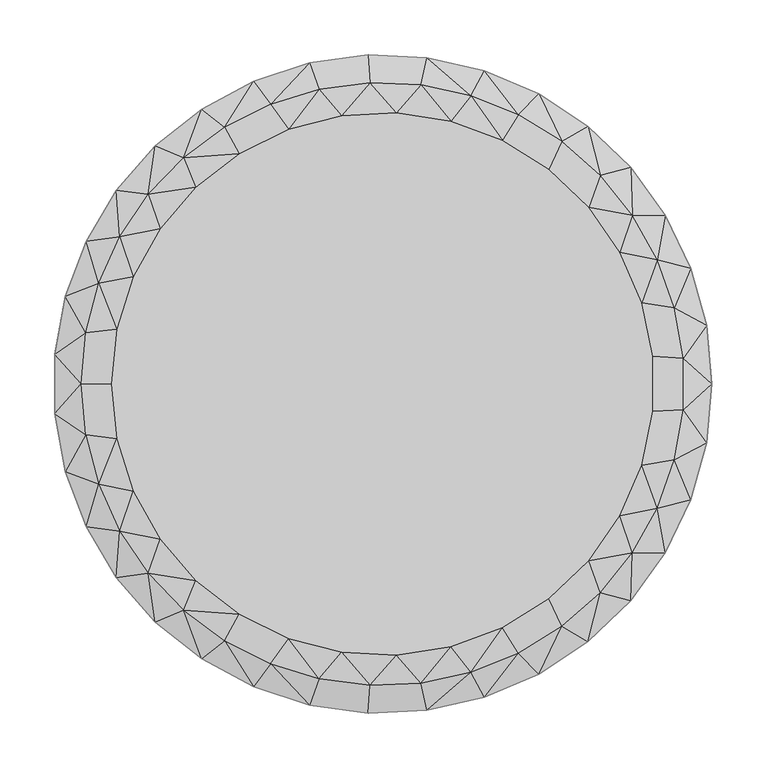
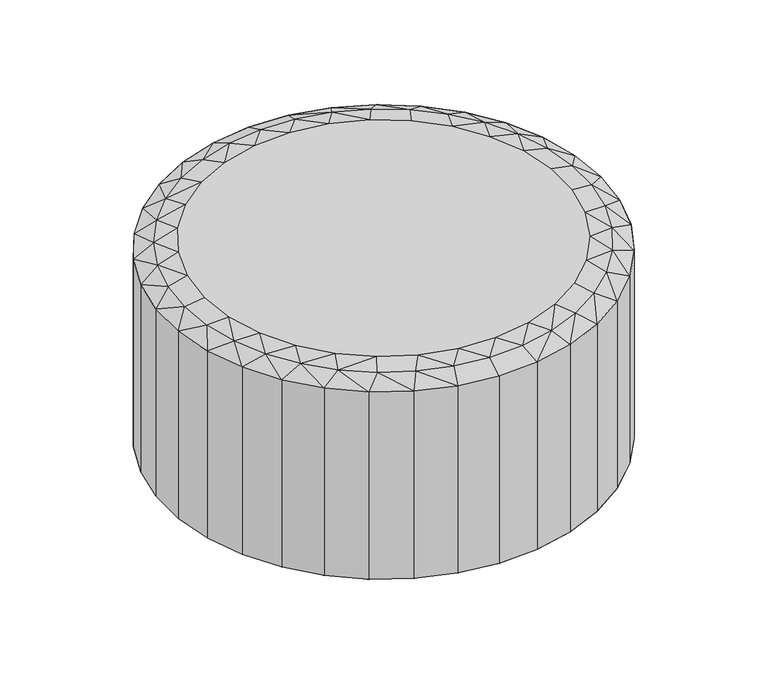
"""IFC4 building model written with IfcOpenShell, lengths in millimetres: furniture geometry."""

from ifc_helpers import new_model, si_unit, origin, place, context, project, spatial, triangles, source, transform, mapped, element, save


def furniture_7c6dbb64(model_context):
    return source(origin(), model_context, "Body", "Tessellation", [
        triangles([(295.1782581, -53.5669656, 288.5336055), (299.9993664, 0.0, 14.9992105), (299.9993664, 0.0, 288.5336055), (295.1782581, 53.5669656, 14.9992105), (295.1782581, 53.5669656, 288.5336055), (280.8698655, 105.412234, 14.9992105), (280.8698655, 105.412234, 288.5336055), (257.5341351, 153.8694779, 14.9992105), (257.5341351, 153.8694779, 288.5336055), (225.9210029, 197.3812115, 14.9992105), (225.9210029, 197.3812115, 288.5336055), (187.0465589, 234.5489828, 14.9992105), (187.0465589, 234.5489828, 288.5336055), (142.160318, 264.1781336, 14.9992105), (142.160318, 264.1781336, 288.5336055), (92.7049155, 285.3163782, 14.9992105), (92.7049155, 285.3163782, 288.5336055), (40.2698984, 297.284325, 14.9992105), (40.2698984, 297.284325, 288.5336055), (-13.4594221, 299.6973318, 14.9992105), (-13.4594221, 299.6973318, 288.5336055), (-66.7561497, 292.477787, 14.9992105), (-66.7561497, 292.477787, 288.5336055), (-117.9072744, 275.8577804, 14.9992105), (-117.9072744, 275.8577804, 288.5336055), (-165.2687639, 250.3714727, 14.9992105), (-165.2687639, 250.3714727, 288.5336055), (-207.3183957, 216.8380181, 14.9992105), (-207.3183957, 216.8380181, 288.5336055), (-242.7046078, 176.3352214, 14.9992105), (-242.7046078, 176.3352214, 288.5336055), (-270.2901333, 130.1648656, 14.9992105), (-270.2901333, 130.1648656, 288.5336055), (-289.1883076, 79.8108897, 14.9992105), (-289.1883076, 79.8108897, 288.5336055), (-298.7917003, 26.8917384, 14.9992105), (-298.7917003, 26.8917384, 288.5336055), (-298.7917003, -26.8917384, 14.9992105), (-298.7917003, -26.8917384, 288.5336055), (-289.1883076, -79.8108897, 14.9992105), (-289.1883076, -79.8108897, 288.5336055), (-270.2901333, -130.1648656, 14.9992105), (-270.2901333, -130.1648656, 288.5336055), (-242.7046078, -176.3352214, 14.9992105), (-242.7046078, -176.3352214, 288.5336055), (-207.3183957, -216.8380181, 14.9992105), (-207.3183957, -216.8380181, 288.5336055), (-165.2687639, -250.3714727, 14.9992105), (-165.2687639, -250.3714727, 288.5336055), (-117.9072744, -275.8577804, 14.9992105), (-117.9072744, -275.8577804, 288.5336055), (-66.7561497, -292.477787, 14.9992105), (-66.7561497, -292.477787, 288.5336055), (-13.4594221, -299.6973318, 14.9992105), (-13.4594221, -299.6973318, 288.5336055), (40.2698984, -297.284325, 14.9992105), (40.2698984, -297.284325, 288.5336055), (92.7049155, -285.3163782, 14.9992105), (92.7049155, -285.3163782, 288.5336055), (142.160318, -264.1781336, 14.9992105), (142.160318, -264.1781336, 288.5336055), (187.0465589, -234.5489828, 14.9992105), (187.0465589, -234.5489828, 288.5336055), (225.9210029, -197.3812115, 14.9992105), (225.9210029, -197.3812115, 288.5336055), (257.5341351, -153.8694779, 14.9992105), (257.5341351, -153.8694779, 288.5336055), (280.8698655, -105.412234, 14.9992105), (280.8698655, -105.412234, 288.5336055), (295.1782581, -53.5669656, 14.9992105), (-242.2585595, 49.7854014, 303.533562), (-270.7559116, 46.4257591, 299.7105032), (-247.321241, 0.0, 303.533562), (-274.7073056, 0.0, 299.7105032), (-270.7559116, -46.4257591, 299.7105032), (-259.0153491, 91.5159347, 299.7105032), (-227.2777878, 97.5325732, 303.533562), (-239.8233883, 133.9733631, 299.7105032), (-202.9922244, 141.2867612, 303.533562), (-213.732103, 172.5766209, 299.7105032), (-170.3961581, 179.2566456, 303.533562), (-181.4921741, 206.2151745, 299.7105032), (-130.8240277, 209.8877519, 303.533562), (-144.0310432, 233.9212777, 299.7105032), (-102.4264061, 254.8979043, 299.7105032), (-57.8751374, 268.5415845, 299.7105032), (-11.6589086, 274.4597916, 299.7105032), (34.8927217, 272.482296, 299.7105032), (12.5266143, 247.0038003, 303.533562), (61.9916921, 239.4260289, 303.533562), (-85.8959652, 231.9260143, 303.533562), (-37.4513046, 244.4692167, 303.533562), (80.4405569, 262.6659984, 299.7105032), (108.9188241, 222.0461304, 303.533562), (123.6742552, 245.293258, 299.7105032), (163.3500765, 220.8638988, 299.7105032), (198.3266117, 190.080676, 299.7105032), (227.5976448, 153.8291642, 299.7105032), (250.3211124, 113.1522866, 299.7105032), (265.8433117, 69.2202162, 299.7105032), (273.7176494, 23.2968088, 299.7105032), (273.7176494, -23.2968088, 299.7105032), (265.8433117, -69.2202162, 299.7105032), (250.3211124, -113.1522866, 299.7105032), (227.5976448, -153.8291642, 299.7105032), (198.3266117, -190.080676, 299.7105032), (163.3500765, -220.8638988, 299.7105032), (123.6742552, -245.293258, 299.7105032), (80.4405569, -262.6659984, 299.7105032), (34.8927217, -272.482296, 299.7105032), (-11.6589086, -274.4597916, 299.7105032), (-57.8751374, -268.5415845, 299.7105032), (-37.4513046, -244.4692167, 303.533562), (-85.8959652, -231.9260143, 303.533562), (151.3868078, 195.575635, 303.533562), (187.6569868, 161.0982518, 303.533562), (216.2444497, 120.0254863, 303.533562), (235.9789101, 74.0388538, 303.533562), (246.0522778, 25.0210745, 303.533562), (246.0522778, -25.0210745, 303.533562), (235.9789101, -74.0388538, 303.533562), (216.2444497, -120.0254863, 303.533562), (187.6569868, -161.0982518, 303.533562), (151.3868078, -195.575635, 303.533562), (108.9188241, -222.0461304, 303.533562), (61.9916921, -239.4260289, 303.533562), (12.5266143, -247.0038003, 303.533562), (-102.4264061, -254.8979043, 299.7105032), (-130.8240277, -209.8877519, 303.533562), (-144.0310432, -233.9212777, 299.7105032), (-181.4921741, -206.2151745, 299.7105032), (-213.732103, -172.5766209, 299.7105032), (-239.8233883, -133.9733631, 299.7105032), (-259.0153491, -91.5159347, 299.7105032), (-170.3961581, -179.2566456, 303.533562), (-202.9922244, -141.2867612, 303.533562), (-227.2777878, -97.5325732, 303.533562), (-242.2585595, -49.7854014, 303.533562), (-247.321241, 0.0, -0.0007464), (-270.7559116, 46.4257591, 3.8223244), (-242.2585595, 49.7854014, -0.0007464), (-274.7073056, 0.0, 3.8223244), (-270.7559116, -46.4257591, 3.8223244), (-259.0153491, 91.5159347, 3.8223244), (-227.2777878, 97.5325732, -0.0007464), (-239.8233883, 133.9733631, 3.8223244), (-202.9922244, 141.2867612, -0.0007464), (-213.732103, 172.5766209, 3.8223244), (-170.3961581, 179.2566456, -0.0007464), (-181.4921741, 206.2151745, 3.8223244), (-130.8240277, 209.8877519, -0.0007464), (-144.0310432, 233.9212777, 3.8223244), (-102.4264061, 254.8979043, 3.8223244), (-57.8751374, 268.5415845, 3.8223244), (-11.6589086, 274.4597916, 3.8223244), (34.8927217, 272.482296, 3.8223244), (12.5266143, 247.0038003, -0.0007464), (61.9916921, 239.4260289, -0.0007464), (-85.8959652, 231.9260143, -0.0007464), (-37.4513046, 244.4692167, -0.0007464), (80.4405569, 262.6659984, 3.8223244), (108.9188241, 222.0461304, -0.0007464), (123.6742552, 245.293258, 3.8223244), (163.3500765, 220.8638988, 3.8223244), (198.3266117, 190.080676, 3.8223244), (227.5976448, 153.8291642, 3.8223244), (250.3211124, 113.1522866, 3.8223244), (265.8433117, 69.2202162, 3.8223244), (273.7176494, 23.2968088, 3.8223244), (273.7176494, -23.2968088, 3.8223244), (265.8433117, -69.2202162, 3.8223244), (250.3211124, -113.1522866, 3.8223244), (227.5976448, -153.8291642, 3.8223244), (198.3266117, -190.080676, 3.8223244), (163.3500765, -220.8638988, 3.8223244), (123.6742552, -245.293258, 3.8223244), (80.4405569, -262.6659984, 3.8223244), (34.8927217, -272.482296, 3.8223244), (-11.6589086, -274.4597916, 3.8223244), (-57.8751374, -268.5415845, 3.8223244), (-37.4513046, -244.4692167, -0.0007464), (-85.8959652, -231.9260143, -0.0007464), (151.3868078, 195.575635, -0.0007464), (187.6569868, 161.0982518, -0.0007464), (216.2444497, 120.0254863, -0.0007464), (235.9789101, 74.0388538, -0.0007464), (246.0522778, 25.0210745, -0.0007464), (246.0522778, -25.0210745, -0.0007464), (235.9789101, -74.0388538, -0.0007464), (216.2444497, -120.0254863, -0.0007464), (187.6569868, -161.0982518, -0.0007464), (151.3868078, -195.575635, -0.0007464), (108.9188241, -222.0461304, -0.0007464), (61.9916921, -239.4260289, -0.0007464), (12.5266143, -247.0038003, -0.0007464), (-102.4264061, -254.8979043, 3.8223244), (-130.8240277, -209.8877519, -0.0007464), (-144.0310432, -233.9212777, 3.8223244), (-181.4921741, -206.2151745, 3.8223244), (-213.732103, -172.5766209, 3.8223244), (-239.8233883, -133.9733631, 3.8223244), (-259.0153491, -91.5159347, 3.8223244), (-170.3961581, -179.2566456, -0.0007464), (-202.9922244, -141.2867612, -0.0007464), (-227.2777878, -97.5325732, -0.0007464), (-242.2585595, -49.7854014, -0.0007464)], [[1, 2, 3], [3, 2, 4], [3, 4, 5], [5, 4, 6], [5, 6, 7], [7, 6, 8], [7, 8, 9], [9, 8, 10], [9, 10, 11], [11, 10, 12], [11, 12, 13], [13, 12, 14], [13, 14, 15], [15, 14, 16], [15, 16, 17], [17, 16, 18], [17, 18, 19], [19, 18, 20], [19, 20, 21], [21, 20, 22], [21, 22, 23], [23, 22, 24], [23, 24, 25], [25, 24, 26], [25, 26, 27], [27, 26, 28], [27, 28, 29], [29, 28, 30], [29, 30, 31], [31, 30, 32], [31, 32, 33], [33, 32, 34], [33, 34, 35], [35, 34, 36], [35, 36, 37], [37, 36, 38], [37, 38, 39], [39, 38, 40], [39, 40, 41], [41, 40, 42], [41, 42, 43], [43, 42, 44], [43, 44, 45], [45, 44, 46], [45, 46, 47], [47, 46, 48], [47, 48, 49], [49, 48, 50], [49, 50, 51], [51, 50, 52], [51, 52, 53], [53, 52, 54], [53, 54, 55], [55, 54, 56], [55, 56, 57], [57, 56, 58], [57, 58, 59], [59, 58, 60], [59, 60, 61], [61, 60, 62], [61, 62, 63], [63, 62, 64], [63, 64, 65], [65, 64, 66], [65, 66, 67], [67, 66, 68], [67, 68, 69], [69, 68, 70], [69, 70, 1], [1, 70, 2], [2, 70, 4], [4, 70, 6], [6, 70, 68], [6, 68, 8], [8, 68, 66], [8, 66, 10], [10, 66, 12], [12, 66, 14], [14, 66, 16], [16, 66, 18], [18, 66, 20], [20, 66, 22], [22, 66, 24], [24, 66, 26], [26, 66, 28], [28, 66, 64], [28, 64, 30], [30, 64, 32], [32, 64, 34], [34, 64, 36], [36, 64, 38], [38, 64, 40], [40, 64, 42], [42, 64, 44], [44, 64, 46], [46, 64, 62], [46, 62, 48], [48, 62, 60], [48, 60, 50], [50, 60, 58], [50, 58, 52], [52, 58, 56], [52, 56, 54], [71, 72, 73], [73, 72, 74], [73, 74, 75], [75, 74, 39], [75, 39, 41], [72, 71, 76], [76, 71, 77], [76, 77, 78], [78, 77, 79], [78, 79, 80], [80, 79, 81], [80, 81, 82], [82, 81, 83], [82, 83, 84], [84, 83, 85], [84, 85, 25], [25, 85, 23], [23, 85, 86], [23, 86, 21], [21, 86, 87], [21, 87, 88], [88, 87, 89], [88, 89, 90], [83, 91, 85], [85, 91, 86], [91, 92, 86], [86, 92, 87], [92, 89, 87], [88, 90, 93], [93, 90, 94], [93, 94, 95], [95, 94, 96], [95, 96, 15], [15, 96, 13], [13, 96, 97], [13, 97, 11], [11, 97, 98], [11, 98, 9], [9, 98, 99], [9, 99, 7], [7, 99, 100], [7, 100, 5], [5, 100, 101], [5, 101, 3], [3, 101, 102], [3, 102, 1], [1, 102, 103], [1, 103, 69], [69, 103, 104], [69, 104, 67], [67, 104, 105], [67, 105, 65], [65, 105, 106], [65, 106, 63], [63, 106, 107], [63, 107, 61], [61, 107, 108], [61, 108, 59], [59, 108, 109], [59, 109, 57], [57, 109, 110], [57, 110, 55], [55, 110, 111], [55, 111, 112], [112, 111, 113], [112, 113, 114], [94, 115, 96], [96, 115, 97], [115, 116, 97], [97, 116, 98], [116, 117, 98], [98, 117, 99], [117, 118, 99], [99, 118, 100], [118, 119, 100], [100, 119, 101], [119, 120, 101], [101, 120, 102], [102, 120, 103], [103, 120, 121], [103, 121, 104], [104, 121, 122], [104, 122, 105], [105, 122, 123], [105, 123, 106], [106, 123, 124], [106, 124, 107], [107, 124, 125], [107, 125, 108], [108, 125, 109], [125, 126, 109], [109, 126, 110], [126, 127, 110], [110, 127, 111], [127, 113, 111], [112, 114, 128], [128, 114, 129], [128, 129, 130], [130, 129, 131], [130, 131, 49], [49, 131, 47], [47, 131, 132], [47, 132, 45], [45, 132, 133], [45, 133, 43], [43, 133, 134], [43, 134, 41], [41, 134, 75], [129, 135, 131], [131, 135, 132], [135, 136, 132], [132, 136, 133], [136, 137, 133], [133, 137, 134], [137, 138, 134], [134, 138, 75], [138, 73, 75], [15, 17, 95], [95, 17, 93], [17, 19, 93], [93, 19, 88], [19, 21, 88], [25, 27, 84], [84, 27, 82], [27, 29, 82], [82, 29, 80], [29, 31, 80], [80, 31, 78], [31, 33, 78], [78, 33, 76], [33, 35, 76], [76, 35, 72], [35, 37, 72], [72, 37, 74], [37, 39, 74], [49, 51, 130], [130, 51, 128], [51, 53, 128], [128, 53, 112], [53, 55, 112], [73, 138, 71], [71, 138, 77], [77, 138, 137], [77, 137, 79], [79, 137, 136], [79, 136, 81], [81, 136, 135], [81, 135, 83], [83, 135, 91], [91, 135, 92], [92, 135, 89], [89, 135, 90], [90, 135, 94], [94, 135, 115], [115, 135, 116], [116, 135, 117], [117, 135, 118], [118, 135, 119], [119, 135, 120], [120, 135, 121], [121, 135, 129], [121, 129, 122], [122, 129, 123], [123, 129, 124], [124, 129, 125], [125, 129, 114], [125, 114, 126], [126, 114, 113], [126, 113, 127], [139, 140, 141], [142, 140, 139], [143, 142, 139], [38, 142, 143], [40, 38, 143], [144, 141, 140], [145, 141, 144], [146, 145, 144], [147, 145, 146], [148, 147, 146], [149, 147, 148], [150, 149, 148], [151, 149, 150], [152, 151, 150], [153, 151, 152], [24, 153, 152], [22, 153, 24], [154, 153, 22], [20, 154, 22], [155, 154, 20], [156, 155, 20], [157, 155, 156], [158, 157, 156], [153, 159, 151], [154, 159, 153], [154, 160, 159], [155, 160, 154], [155, 157, 160], [161, 158, 156], [162, 158, 161], [163, 162, 161], [164, 162, 163], [14, 164, 163], [12, 164, 14], [165, 164, 12], [10, 165, 12], [166, 165, 10], [8, 166, 10], [167, 166, 8], [6, 167, 8], [168, 167, 6], [4, 168, 6], [169, 168, 4], [2, 169, 4], [170, 169, 2], [70, 170, 2], [171, 170, 70], [68, 171, 70], [172, 171, 68], [66, 172, 68], [173, 172, 66], [64, 173, 66], [174, 173, 64], [62, 174, 64], [175, 174, 62], [60, 175, 62], [176, 175, 60], [58, 176, 60], [177, 176, 58], [56, 177, 58], [178, 177, 56], [54, 178, 56], [179, 178, 54], [180, 179, 54], [181, 179, 180], [182, 181, 180], [164, 183, 162], [165, 183, 164], [165, 184, 183], [166, 184, 165], [166, 185, 184], [167, 185, 166], [167, 186, 185], [168, 186, 167], [168, 187, 186], [169, 187, 168], [169, 188, 187], [170, 188, 169], [171, 188, 170], [189, 188, 171], [172, 189, 171], [190, 189, 172], [173, 190, 172], [191, 190, 173], [174, 191, 173], [192, 191, 174], [175, 192, 174], [193, 192, 175], [176, 193, 175], [177, 193, 176], [177, 194, 193], [178, 194, 177], [178, 195, 194], [179, 195, 178], [179, 181, 195], [196, 182, 180], [197, 182, 196], [198, 197, 196], [199, 197, 198], [48, 199, 198], [46, 199, 48], [200, 199, 46], [44, 200, 46], [201, 200, 44], [42, 201, 44], [202, 201, 42], [40, 202, 42], [143, 202, 40], [199, 203, 197], [200, 203, 199], [200, 204, 203], [201, 204, 200], [201, 205, 204], [202, 205, 201], [202, 206, 205], [143, 206, 202], [143, 139, 206], [163, 16, 14], [161, 16, 163], [161, 18, 16], [156, 18, 161], [156, 20, 18], [152, 26, 24], [150, 26, 152], [150, 28, 26], [148, 28, 150], [148, 30, 28], [146, 30, 148], [146, 32, 30], [144, 32, 146], [144, 34, 32], [140, 34, 144], [140, 36, 34], [142, 36, 140], [142, 38, 36], [198, 50, 48], [196, 50, 198], [196, 52, 50], [180, 52, 196], [180, 54, 52], [141, 206, 139], [145, 206, 141], [205, 206, 145], [147, 205, 145], [204, 205, 147], [149, 204, 147], [203, 204, 149], [151, 203, 149], [159, 203, 151], [160, 203, 159], [157, 203, 160], [158, 203, 157], [162, 203, 158], [183, 203, 162], [184, 203, 183], [185, 203, 184], [186, 203, 185], [187, 203, 186], [188, 203, 187], [189, 203, 188], [197, 203, 189], [190, 197, 189], [191, 197, 190], [192, 197, 191], [193, 197, 192], [182, 197, 193], [194, 182, 193], [181, 182, 194], [195, 181, 194]], closed=False),
    ])


if __name__ == "__main__":
    model = new_model("IFC4")
    model_context = context("Model", 3, world=origin())
    ifc_project = project(units=[si_unit("LENGTHUNIT", "METRE", prefix="MILLI")], contexts=[model_context])
    site = spatial("IfcSite", under=ifc_project)
    building = spatial("IfcBuilding", under=site)
    placement = place(None, origin())
    furniture_shape = furniture_7c6dbb64(model_context)
    element("IfcFurniture", 1, at=placement, inside=building, context=model_context, shape_type="MappedRepresentation", body=[
        mapped(furniture_shape, transform((0.0, 0.0, 0.0), x_axis=(1.0, 0.0, 0.0), y_axis=(0.0, 1.0, 0.0), z_axis=(0.0, 0.0, 1.0))),
    ])
    save(model, "model.ifc")
